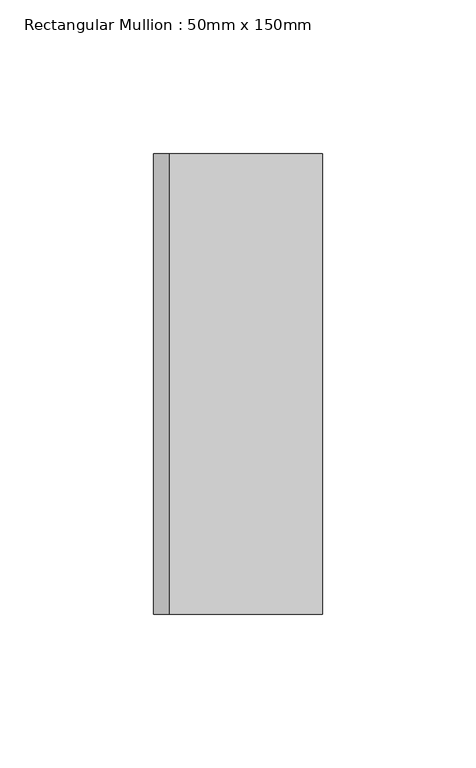
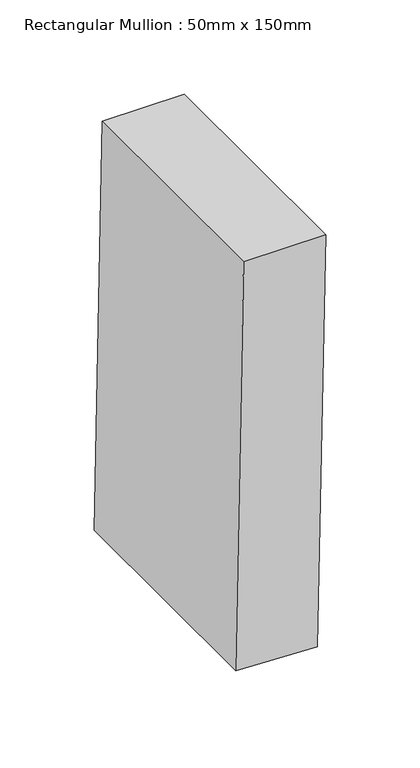
"""IFC4 building model written with IfcOpenShell, lengths in millimetres: member geometry, Rectangular Mullion : 50mm x 150mm."""

from ifc_helpers import new_model, si_unit, point, frame, frame_2d, origin, place, context, project, spatial, polyline, circle_curve, trimmed, segment, composite_curve, outline, extrude, source, transform, mapped, element, save


def rectangular_mullion_50mm_x_150mm_507ad587(model_context):
    return source(origin(), model_context, "Body", "SweptSolid", [
        extrude(outline(composite_curve([segment(trimmed(circle_curve(frame_2d((0.0, -6914.0186607)), 6914.0186607), [point((-265.0174466, -5.080986))], [point((0.0, 0.0))], False, "CARTESIAN"), True, "CONTINUOUS"), segment(polyline([(0.0, 0.0), (0.0, -50.0)]), True, "CONTINUOUS"), segment(trimmed(circle_curve(frame_2d((0.0, -6914.0186607)), 6864.0186607), [point((0.0, -50.0))], [point((-263.1009241, -55.0442419))], True, "CARTESIAN"), True, "CONTINUOUS"), segment(polyline([(-263.1009241, -55.0442419), (-265.0174466, -5.080986)]), True, "CONTINUOUS")], self_intersect=False)), frame((0.0, -75.0, 0.0), z_axis=(0.0, 1.0, 0.0), x_axis=(0.0, 0.0, 1.0)), (0.0, 0.0, 1.0), 150.0),
    ])


if __name__ == "__main__":
    model = new_model("IFC4")
    model_context = context("Model", 3, world=origin())
    ifc_project = project(units=[si_unit("LENGTHUNIT", "METRE", prefix="MILLI")], contexts=[model_context])
    site = spatial("IfcSite", under=ifc_project)
    building = spatial("IfcBuilding", under=site)
    placement = place(None, origin())
    rectangular_mullion_50mm_x_150mm_shape = rectangular_mullion_50mm_x_150mm_507ad587(model_context)
    element("IfcMember", 1, ObjectType="Rectangular Mullion : 50mm x 150mm", at=placement, inside=building, context=model_context, shape_type="MappedRepresentation", body=[
        mapped(rectangular_mullion_50mm_x_150mm_shape, transform((0.0, 0.0, 0.0), x_axis=(1.0, 0.0, 0.0), y_axis=(0.0, 1.0, 0.0), z_axis=(0.0, 0.0, 1.0))),
    ])
    save(model, "model.ifc")
